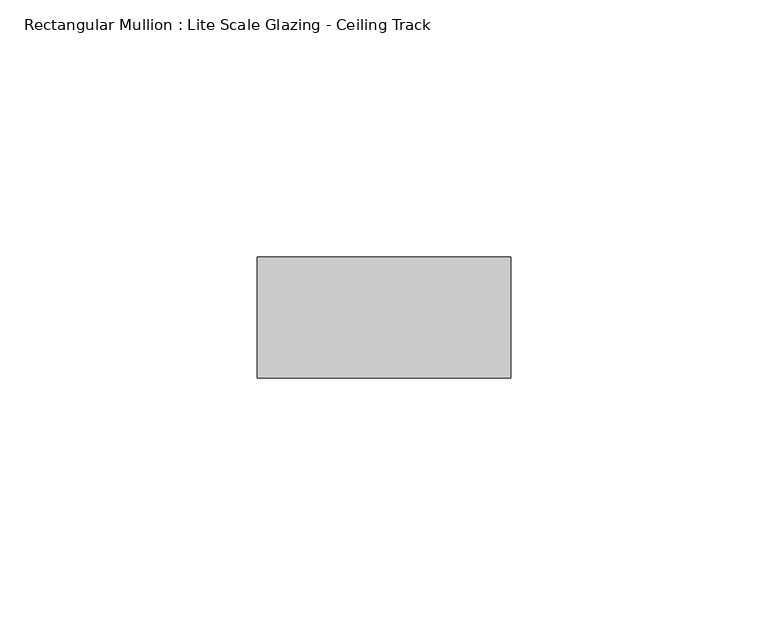
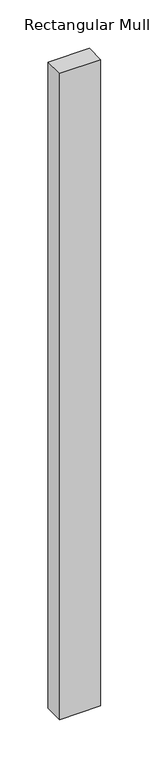
"""IFC4 building model written with IfcOpenShell, lengths in millimetres: member geometry, Rectangular Mullion : Lite Scale Glazing - Ceiling Track."""

from ifc_helpers import new_model, si_unit, frame, origin, place, context, project, spatial, polyline, outline, extrude, source, transform, mapped, element, save


def rectangular_mullion_lite_scale_glazing_ceiling_track_206e0f47(model_context):
    return source(origin(), model_context, "Body", "SweptSolid", [
        extrude(outline(polyline([(-49.276, -11.7474999), (-49.276, 11.7474999), (0.0, 11.7474999), (0.0, -11.7474999), (-49.276, -11.7474999)])), frame((0.0, 0.0, -815.9554028), z_axis=(0.0, 0.0, 1.0), x_axis=(1.0, 0.0, 0.0)), (0.0, 0.0, 1.0), 815.9554028),
    ])


if __name__ == "__main__":
    model = new_model("IFC4")
    model_context = context("Model", 3, world=origin())
    ifc_project = project(units=[si_unit("LENGTHUNIT", "METRE", prefix="MILLI")], contexts=[model_context])
    site = spatial("IfcSite", under=ifc_project)
    building = spatial("IfcBuilding", under=site)
    placement = place(None, origin())
    rectangular_mullion_lite_scale_glazing_ceiling_track_shape = rectangular_mullion_lite_scale_glazing_ceiling_track_206e0f47(model_context)
    element("IfcMember", 1, ObjectType="Rectangular Mullion : Lite Scale Glazing - Ceiling Track", at=placement, inside=building, context=model_context, shape_type="MappedRepresentation", body=[
        mapped(rectangular_mullion_lite_scale_glazing_ceiling_track_shape, transform((0.0, 0.0, 0.0), x_axis=(1.0, 0.0, 0.0), y_axis=(0.0, 1.0, 0.0), z_axis=(0.0, 0.0, 1.0))),
    ])
    save(model, "model.ifc")
